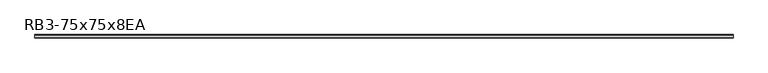
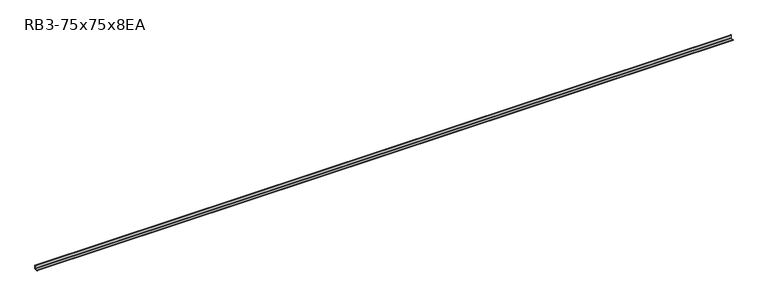
"""IFC4 building model written with IfcOpenShell, lengths in millimetres: member geometry, RB3-75x75x8EA."""

from ifc_helpers import new_model, si_unit, point, frame, frame_2d, origin, place, context, project, spatial, polyline, circle_curve, trimmed, segment, composite_curve, outline, extrude, source, transform, mapped, element, save


def rb3_75x75x8ea_3ebe7293(model_context):
    return source(origin(), model_context, "Body", "SweptSolid", [
        extrude(outline(composite_curve([segment(polyline([(21.3, -21.3), (-53.7, -21.3), (-53.7, -18.3)]), True, "CONTINUOUS"), segment(trimmed(circle_curve(frame_2d((-48.7, -18.3)), 5.0), [point((-53.7, -18.3))], [point((-48.7, -13.3))], False, "CARTESIAN"), True, "CONTINUOUS"), segment(polyline([(-48.7, -13.3), (5.3, -13.3)]), True, "CONTINUOUS"), segment(trimmed(circle_curve(frame_2d((5.3, -5.3)), 8.0), [point((5.3, -13.3))], [point((13.3, -5.3))], True, "CARTESIAN"), True, "CONTINUOUS"), segment(polyline([(13.3, -5.3), (13.3, 48.7)]), True, "CONTINUOUS"), segment(trimmed(circle_curve(frame_2d((18.3, 48.7)), 5.0), [point((13.3, 48.7))], [point((18.3, 53.7))], False, "CARTESIAN"), True, "CONTINUOUS"), segment(polyline([(18.3, 53.7), (21.3, 53.7), (21.3, -21.3)]), True, "CONTINUOUS")], self_intersect=False)), frame((-7300.5, 0.0, 0.0), z_axis=(1.0, 0.0, 0.0), x_axis=(0.0, 1.0, 0.0)), (0.0, 0.0, 1.0), 14632.0),
    ])


if __name__ == "__main__":
    model = new_model("IFC4")
    model_context = context("Model", 3, world=origin())
    ifc_project = project(units=[si_unit("LENGTHUNIT", "METRE", prefix="MILLI")], contexts=[model_context])
    site = spatial("IfcSite", under=ifc_project)
    building = spatial("IfcBuilding", under=site)
    placement = place(None, origin())
    rb3_75x75x8ea_shape = rb3_75x75x8ea_3ebe7293(model_context)
    element("IfcMember", 1, ObjectType="RB3-75x75x8EA", at=placement, inside=building, context=model_context, shape_type="MappedRepresentation", body=[
        mapped(rb3_75x75x8ea_shape, transform((0.0, 0.0, 0.0), x_axis=(1.0, 0.0, 0.0), y_axis=(0.0, 1.0, 0.0), z_axis=(0.0, 0.0, 1.0))),
    ])
    save(model, "model.ifc")
